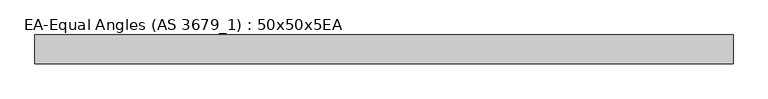
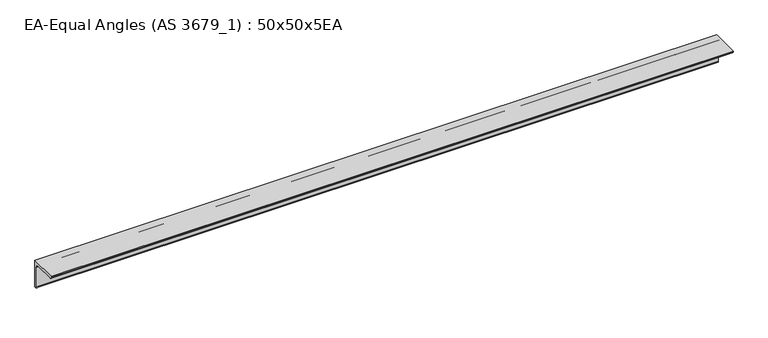
"""IFC4 building model written with IfcOpenShell, lengths in millimetres: beam geometry, EA-Equal Angles (AS 3679_1) : 50x50x5EA."""

from ifc_helpers import new_model, si_unit, point, frame, frame_2d, origin, place, context, project, spatial, polyline, circle_curve, trimmed, segment, composite_curve, outline, extrude, source, transform, mapped, element, save


def ea_equal_angles_as_3679_1_50x50x5ea_987a2a09(model_context):
    return source(origin(), model_context, "Body", "SweptSolid", [
        extrude(outline(composite_curve([segment(polyline([(13.9, 13.9), (13.9, -36.1), (12.3, -36.1)]), True, "CONTINUOUS"), segment(trimmed(circle_curve(frame_2d((12.3, -33.1)), 3.0), [point((12.3, -36.1))], [point((9.3, -33.1))], False, "CARTESIAN"), True, "CONTINUOUS"), segment(polyline([(9.3, -33.1), (9.3, 3.3)]), True, "CONTINUOUS"), segment(trimmed(circle_curve(frame_2d((3.3, 3.3)), 6.0), [point((9.3, 3.3))], [point((3.3, 9.3))], True, "CARTESIAN"), True, "CONTINUOUS"), segment(polyline([(3.3, 9.3), (-33.1, 9.3)]), True, "CONTINUOUS"), segment(trimmed(circle_curve(frame_2d((-33.1, 12.3)), 3.0), [point((-33.1, 9.3))], [point((-36.1, 12.3))], False, "CARTESIAN"), True, "CONTINUOUS"), segment(polyline([(-36.1, 12.3), (-36.1, 13.9), (13.9, 13.9)]), True, "CONTINUOUS")], self_intersect=False)), frame((-1200.0, 0.0, 0.0), z_axis=(1.0, 0.0, 0.0), x_axis=(0.0, 1.0, 0.0)), (0.0, 0.0, 1.0), 1209.0136055),
    ])


if __name__ == "__main__":
    model = new_model("IFC4")
    model_context = context("Model", 3, world=origin())
    ifc_project = project(units=[si_unit("LENGTHUNIT", "METRE", prefix="MILLI")], contexts=[model_context])
    site = spatial("IfcSite", under=ifc_project)
    building = spatial("IfcBuilding", under=site)
    placement = place(None, origin())
    ea_equal_angles_as_3679_1_50x50x5ea_shape = ea_equal_angles_as_3679_1_50x50x5ea_987a2a09(model_context)
    element("IfcBeam", 1, ObjectType="EA-Equal Angles (AS 3679_1) : 50x50x5EA", at=placement, inside=building, context=model_context, shape_type="MappedRepresentation", body=[
        mapped(ea_equal_angles_as_3679_1_50x50x5ea_shape, transform((0.0, 0.0, 0.0), x_axis=(1.0, 0.0, 0.0), y_axis=(0.0, 1.0, 0.0), z_axis=(0.0, 0.0, 1.0))),
    ])
    save(model, "model.ifc")
